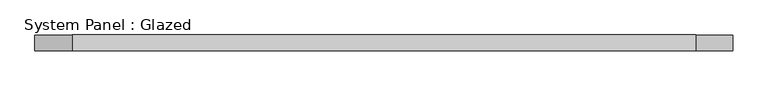
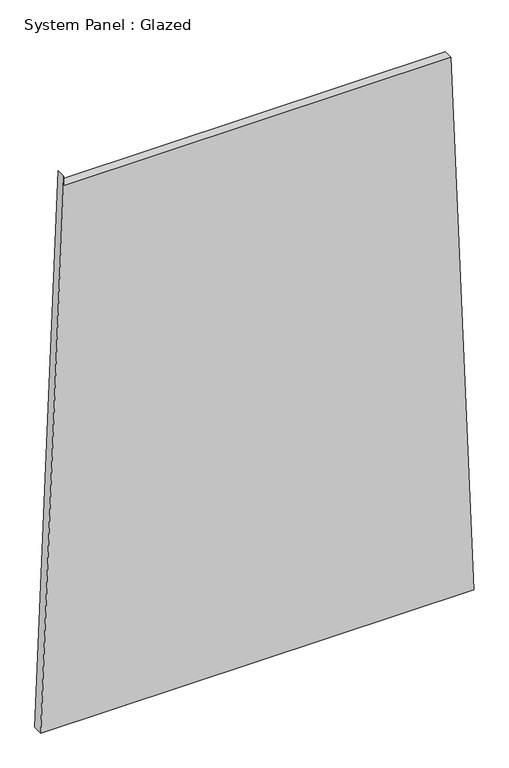
"""IFC4 building model written with IfcOpenShell, lengths in millimetres: plate geometry, System Panel : Glazed."""

from ifc_helpers import new_model, si_unit, frame, origin, place, context, project, spatial, polyline, outline, extrude, source, transform, mapped, element, save


def system_panel_glazed_eabb0789(model_context):
    return source(origin(), model_context, "Body", "SweptSolid", [
        extrude(outline(polyline([(0.0, -550.5091238), (0.0, 550.5091238), (1448.7940497, 492.3769704), (1448.7941391, -491.3698412), (1473.7941391, -491.3698389), (0.0, -550.5091238)])), frame((0.0, -49.5, 0.0), z_axis=(0.0, 1.0, 0.0), x_axis=(0.0, 0.0, 1.0)), (0.0, 0.0, 1.0), 25.0),
    ])


if __name__ == "__main__":
    model = new_model("IFC4")
    model_context = context("Model", 3, world=origin())
    ifc_project = project(units=[si_unit("LENGTHUNIT", "METRE", prefix="MILLI")], contexts=[model_context])
    site = spatial("IfcSite", under=ifc_project)
    building = spatial("IfcBuilding", under=site)
    placement = place(None, origin())
    system_panel_glazed_shape = system_panel_glazed_eabb0789(model_context)
    element("IfcPlate", 1, ObjectType="System Panel : Glazed", at=placement, inside=building, context=model_context, shape_type="MappedRepresentation", body=[
        mapped(system_panel_glazed_shape, transform((0.0, 0.0, 0.0), x_axis=(1.0, 0.0, 0.0), y_axis=(0.0, 1.0, 0.0), z_axis=(0.0, 0.0, 1.0))),
    ])
    save(model, "model.ifc")
